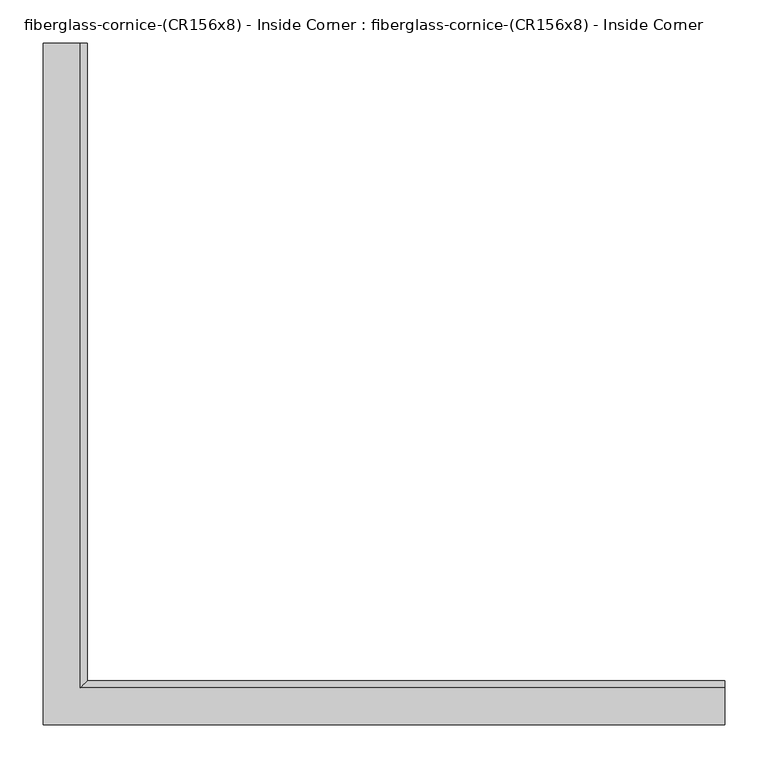
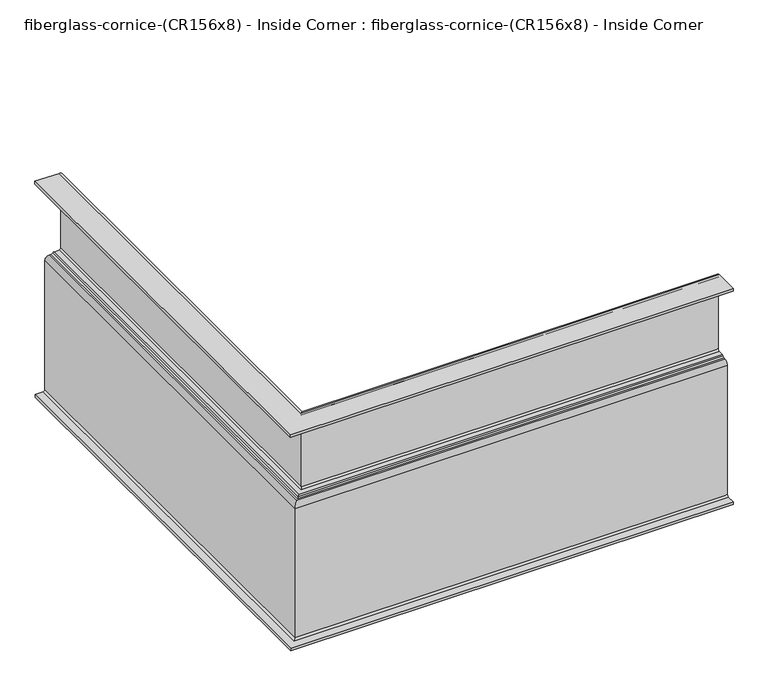
"""IFC4 building model written with IfcOpenShell, lengths in millimetres: furniture geometry, fiberglass-cornice-(CR156x8) - Inside Corner : fiberglass-cornice-(CR156x8) - Inside Corner."""

from ifc_helpers import new_model, si_unit, frame, origin, place, context, project, spatial, polyline, circle_curve, ellipse_curve, source, transform, mapped, element, save
from ifc_brep_helpers import plane_surface, cylinder_surface, revolved_surface, advanced_brep


def fiberglass_cornice_cr156x8_inside_corner_fiberglass_cornice_9d10ce48(model_context):
    return source(origin(), model_context, "Body", "AdvancedBrep", [
        advanced_brep(
        [(-350.8373765, 888.603125, 330.199386), (-342.8999884, 888.603125, 322.261886), (-342.8999884, 888.603125, 185.6777256), (-350.8374884, 888.603125, 177.7402256), (-354.0124884, 888.603125, 177.7402256), (-354.0124884, 888.603125, 180.8652557), (-357.1874884, 888.603125, 180.8652557), (-357.1874884, 888.603125, 177.7402256), (-368.2999934, 888.603125, 177.7402256), (-371.4749934, 888.603125, 174.5652256), (-371.4749934, 888.603125, -68.2625121), (-379.4124934, 888.603125, -76.2000121), (-393.4457379, 888.603125, -76.2000121), (-393.4457379, 888.603125, -71.4375121), (-379.4124934, 888.603125, -71.4375121), (-376.2374934, 888.603125, -68.2625121), (-376.2374934, 888.603125, 174.5652256), (-368.2999934, 888.603125, 182.5027256), (-365.1249884, 888.603125, 182.5027256), (-362.389935, 888.603125, 184.0652406), (-359.6548815, 888.603125, 185.6277557), (-350.8374884, 888.603125, 185.6277557), (-347.6624884, 888.603125, 188.8027557), (-347.6624884, 888.603125, 322.261886), (-350.8374884, 888.603125, 325.436886), (-393.6999938, 888.603125, 325.436886), (-393.6999938, 888.603125, 330.1999904), (393.6999938, 144.0657424, 330.1999904), (393.6999938, 101.203125, 330.1999904), (393.6999938, 101.203125, 325.436886), (393.6999938, 144.0656305, 325.436886), (393.6999938, 147.2406305, 322.261886), (393.6999938, 147.2406305, 188.8027557), (393.6999938, 144.0656305, 185.6277557), (393.6999938, 135.2482373, 185.6277557), (393.6999938, 132.5131839, 184.0652406), (393.6999938, 129.7781305, 182.5027256), (393.6999938, 126.6031254, 182.5027256), (393.6999938, 118.6656254, 174.5652256), (393.6999938, 118.6656254, -68.2625121), (393.6999938, 115.4906254, -71.4375121), (393.6999938, 101.457381, -71.4375121), (393.6999938, 101.457381, -76.2000121), (393.6999938, 115.4906254, -76.2000121), (393.6999938, 123.4281254, -68.2625121), (393.6999938, 123.4281254, 174.5652256), (393.6999938, 126.6031254, 177.7402256), (393.6999938, 137.7156305, 177.7402256), (393.6999938, 137.7156305, 180.8652557), (393.6999938, 140.8906305, 180.8652557), (393.6999938, 140.8906305, 177.7402256), (393.6999938, 144.0656305, 177.7402256), (393.6999938, 152.0031305, 185.6777256), (393.6999938, 152.0031305, 322.261886), (-350.8373765, 144.0657424, 330.199386), (-342.8999884, 152.0031305, 322.261886), (-342.8999884, 152.0031305, 185.6777256), (-350.8374884, 144.0656305, 177.7402256), (-354.0124884, 140.8906305, 177.7402256), (-354.0124884, 140.8906305, 180.8652557), (-357.1874884, 137.7156305, 180.8652557), (-357.1874884, 137.7156305, 177.7402256), (-368.2999934, 126.6031254, 177.7402256), (-371.4749934, 123.4281254, 174.5652256), (-371.4749934, 123.4281254, -68.2625121), (-379.4124934, 115.4906254, -76.2000121), (-393.4457379, 101.457381, -76.2000121), (-393.4457379, 101.457381, -71.4375121), (-379.4124934, 115.4906254, -71.4375121), (-376.2374934, 118.6656254, -68.2625121), (-376.2374934, 118.6656254, 174.5652256), (-368.2999934, 126.6031254, 182.5027256), (-365.1249884, 129.7781305, 182.5027256), (-362.389935, 132.5131839, 184.0652406), (-359.6548815, 135.2482373, 185.6277557), (-350.8374884, 144.0656305, 185.6277557), (-347.6624884, 147.2406305, 188.8027557), (-347.6624884, 147.2406305, 322.261886), (-350.8374884, 144.0656305, 325.436886), (-393.6999938, 101.203125, 325.436886), (-393.6999938, 101.203125, 330.1999904)],
        [
            (0, 1, circle_curve(frame((-350.8374884, 888.603125, 322.261886), z_axis=(0.0, 1.0, 0.0), x_axis=(1.0, 0.0, 0.0)), 7.9375)),
            (1, 2),
            (2, 3, circle_curve(frame((-350.8374884, 888.603125, 185.6777256), z_axis=(0.0, 1.0, 0.0), x_axis=(1.0, 0.0, 0.0)), 7.9375)),
            (3, 4),
            (4, 5),
            (5, 6),
            (6, 7),
            (7, 8),
            (8, 9, circle_curve(frame((-368.2999934, 888.603125, 174.5652256), z_axis=(0.0, -1.0, 0.0), x_axis=(1.0, 0.0, 0.0)), 3.175)),
            (9, 10),
            (10, 11, circle_curve(frame((-379.4124934, 888.603125, -68.2625121), z_axis=(0.0, 1.0, 0.0), x_axis=(1.0, 0.0, 0.0)), 7.9375)),
            (11, 12),
            (12, 13),
            (13, 14),
            (14, 15, circle_curve(frame((-379.4124934, 888.603125, -68.2625121), z_axis=(0.0, -1.0, 0.0), x_axis=(1.0, 0.0, 0.0)), 3.175)),
            (15, 16),
            (16, 17, circle_curve(frame((-368.2999934, 888.603125, 174.5652256), z_axis=(0.0, 1.0, 0.0), x_axis=(1.0, 0.0, 0.0)), 7.9375)),
            (17, 18),
            (18, 19, circle_curve(frame((-365.1249884, 888.603125, 185.6777256), z_axis=(0.0, -1.0, 0.0), x_axis=(1.0, 0.0, 0.0)), 3.175)),
            (19, 20, circle_curve(frame((-359.6548815, 888.603125, 182.4527557), z_axis=(0.0, 1.0, 0.0), x_axis=(1.0, 0.0, 0.0)), 3.175)),
            (20, 21),
            (21, 22, circle_curve(frame((-350.8374884, 888.603125, 188.8027557), z_axis=(0.0, -1.0, 0.0), x_axis=(1.0, 0.0, 0.0)), 3.175)),
            (22, 23),
            (23, 24, circle_curve(frame((-350.8374884, 888.603125, 322.261886), z_axis=(0.0, -1.0, 0.0), x_axis=(1.0, 0.0, 0.0)), 3.175)),
            (24, 25),
            (25, 26),
            (26, 0),
            (27, 28),
            (28, 29),
            (29, 30),
            (30, 31, circle_curve(frame((393.6999938, 144.0656305, 322.261886), z_axis=(-1.0, 0.0, 0.0), x_axis=(0.0, 1.0, 0.0)), 3.175)),
            (31, 32),
            (32, 33, circle_curve(frame((393.6999938, 144.0656305, 188.8027557), z_axis=(-1.0, 0.0, 0.0), x_axis=(0.0, 1.0, 0.0)), 3.175)),
            (33, 34),
            (34, 35, circle_curve(frame((393.6999938, 135.2482373, 182.4527557), z_axis=(1.0, 0.0, 0.0), x_axis=(0.0, 1.0, 0.0)), 3.175)),
            (35, 36, circle_curve(frame((393.6999938, 129.7781305, 185.6777256), z_axis=(-1.0, 0.0, 0.0), x_axis=(0.0, 1.0, 0.0)), 3.175)),
            (36, 37),
            (37, 38, circle_curve(frame((393.6999938, 126.6031254, 174.5652256), z_axis=(1.0, 0.0, 0.0), x_axis=(0.0, 1.0, 0.0)), 7.9375)),
            (38, 39),
            (39, 40, circle_curve(frame((393.6999938, 115.4906254, -68.2625121), z_axis=(-1.0, 0.0, 0.0), x_axis=(0.0, 1.0, 0.0)), 3.175)),
            (40, 41),
            (41, 42),
            (42, 43),
            (43, 44, circle_curve(frame((393.6999938, 115.4906254, -68.2625121), z_axis=(1.0, 0.0, 0.0), x_axis=(0.0, 1.0, 0.0)), 7.9375)),
            (44, 45),
            (45, 46, circle_curve(frame((393.6999938, 126.6031254, 174.5652256), z_axis=(-1.0, 0.0, 0.0), x_axis=(0.0, 1.0, 0.0)), 3.175)),
            (46, 47),
            (47, 48),
            (48, 49),
            (49, 50),
            (50, 51),
            (51, 52, circle_curve(frame((393.6999938, 144.0656305, 185.6777256), z_axis=(1.0, 0.0, 0.0), x_axis=(0.0, 1.0, 0.0)), 7.9375)),
            (52, 53),
            (53, 27, circle_curve(frame((393.6999938, 144.0656305, 322.261886), z_axis=(1.0, 0.0, 0.0), x_axis=(0.0, 1.0, 0.0)), 7.9375)),
            (0, 54),
            (54, 55, ellipse_curve(frame((-350.8374884, 144.0656305, 322.261886), z_axis=(-0.7071067811865475, 0.7071067811865475, 0.0), x_axis=(0.7071067811865474, 0.7071067811865476, 0.0)), 11.2253202, 7.9375)),
            (55, 1),
            (55, 56),
            (56, 2),
            (56, 57, ellipse_curve(frame((-350.8374884, 144.0656305, 185.6777256), z_axis=(-0.7071067811865475, 0.7071067811865475, 0.0), x_axis=(0.7071067811865474, 0.7071067811865476, 0.0)), 11.2253202, 7.9375)),
            (57, 3),
            (57, 51),
            (50, 58),
            (58, 4),
            (58, 59),
            (59, 5),
            (59, 49),
            (48, 60),
            (60, 6),
            (60, 61),
            (61, 7),
            (61, 47),
            (46, 62),
            (62, 8),
            (62, 63, ellipse_curve(frame((-368.2999934, 126.6031254, 174.5652256), z_axis=(0.7071067811865475, -0.7071067811865475, 0.0), x_axis=(-0.7071067811865474, -0.7071067811865476, 0.0)), 4.4901281, 3.175)),
            (63, 9),
            (63, 64),
            (64, 10),
            (64, 65, ellipse_curve(frame((-379.4124934, 115.4906254, -68.2625121), z_axis=(-0.7071067811865475, 0.7071067811865475, 0.0), x_axis=(0.7071067811865474, 0.7071067811865476, 0.0)), 11.2253202, 7.9375)),
            (65, 11),
            (65, 43),
            (42, 66),
            (66, 12),
            (66, 67),
            (67, 13),
            (67, 41),
            (40, 68),
            (68, 14),
            (68, 69, ellipse_curve(frame((-379.4124934, 115.4906254, -68.2625121), z_axis=(0.7071067811865475, -0.7071067811865475, 0.0), x_axis=(-0.7071067811865474, -0.7071067811865476, 0.0)), 4.4901281, 3.175)),
            (69, 15),
            (69, 70),
            (70, 16),
            (70, 71, ellipse_curve(frame((-368.2999934, 126.6031254, 174.5652256), z_axis=(-0.7071067811865475, 0.7071067811865475, 0.0), x_axis=(0.7071067811865474, 0.7071067811865476, 0.0)), 11.2253202, 7.9375)),
            (71, 17),
            (71, 37),
            (36, 72),
            (72, 18),
            (72, 73, ellipse_curve(frame((-365.1249884, 129.7781305, 185.6777256), z_axis=(0.7071067811865475, -0.7071067811865475, 0.0), x_axis=(-0.7071067811865474, -0.7071067811865476, 0.0)), 4.4901281, 3.175)),
            (73, 19),
            (73, 74, ellipse_curve(frame((-359.6548815, 135.2482373, 182.4527557), z_axis=(-0.7071067811865475, 0.7071067811865475, 0.0), x_axis=(0.7071067811865474, 0.7071067811865476, 0.0)), 4.4901281, 3.175)),
            (74, 20),
            (74, 34),
            (33, 75),
            (75, 21),
            (75, 76, ellipse_curve(frame((-350.8374884, 144.0656305, 188.8027557), z_axis=(0.7071067811865475, -0.7071067811865475, 0.0), x_axis=(-0.7071067811865474, -0.7071067811865476, 0.0)), 4.4901281, 3.175)),
            (76, 22),
            (76, 77),
            (77, 23),
            (77, 78, ellipse_curve(frame((-350.8374884, 144.0656305, 322.261886), z_axis=(0.7071067811865475, -0.7071067811865475, 0.0), x_axis=(-0.7071067811865474, -0.7071067811865476, 0.0)), 4.4901281, 3.175)),
            (78, 24),
            (78, 30),
            (29, 79),
            (79, 25),
            (79, 80),
            (80, 26),
            (80, 28),
            (27, 54),
            (53, 55),
            (52, 56),
            (45, 63),
            (44, 64),
            (39, 69),
            (38, 70),
            (35, 73),
            (32, 76),
            (31, 77),
        ],
        [
            plane_surface(frame((-393.6999938, 888.603125, 330.1999904), z_axis=(0.0, 1.0, 0.0), x_axis=(0.0, 0.0, 1.0))),
            plane_surface(frame((393.6999938, 101.203125, 330.1999904), z_axis=(1.0, 0.0, 0.0), x_axis=(0.0, 0.0, 1.0))),
            cylinder_surface(frame((-350.8374884, 888.603125, 322.261886), z_axis=(0.0, 1.0, 0.0), x_axis=(1.0, 0.0, 0.0)), 7.9375),
            plane_surface(frame((-342.8999884, 888.603125, 322.261886), z_axis=(1.0, 0.0, 0.0), x_axis=(0.0, -1.0, 0.0))),
            cylinder_surface(frame((-350.8374884, 888.603125, 185.6777256), z_axis=(0.0, 1.0, 0.0), x_axis=(1.0, 0.0, 0.0)), 7.9375),
            plane_surface(frame((-350.8374884, 888.603125, 177.7402256), z_axis=(0.0, 0.0, -1.0), x_axis=(0.0, -1.0, 0.0))),
            plane_surface(frame((-354.0124884, 888.603125, 177.7402256), z_axis=(-1.0, 0.0, 0.0), x_axis=(0.0, -1.0, 0.0))),
            plane_surface(frame((-354.0124884, 888.603125, 180.8652557), z_axis=(0.0, 0.0, -1.0), x_axis=(0.0, -1.0, 0.0))),
            plane_surface(frame((-357.1874884, 888.603125, 180.8652557), z_axis=(1.0, 0.0, 0.0), x_axis=(0.0, -1.0, 0.0))),
            plane_surface(frame((-357.1874884, 888.603125, 177.7402256), z_axis=(0.0, 0.0, -1.0), x_axis=(0.0, -1.0, 0.0))),
            revolved_surface(polyline([(-365.1249934, 123.42812537209363, 174.5652256), (-365.1249934, 888.603125, 174.5652256)]), (-368.2999934, 888.603125, 174.5652256), (0.0, -1.0, 0.0)),
            plane_surface(frame((-371.4749934, 888.603125, 174.5652256), z_axis=(1.0, 0.0, 0.0), x_axis=(0.0, -1.0, 0.0))),
            cylinder_surface(frame((-379.4124934, 888.603125, -68.2625121), z_axis=(0.0, 1.0, 0.0), x_axis=(1.0, 0.0, 0.0)), 7.9375),
            plane_surface(frame((-379.4124934, 888.603125, -76.2000121), z_axis=(0.0, 0.0, -1.0), x_axis=(0.0, -1.0, 0.0))),
            plane_surface(frame((-393.4457379, 888.603125, -76.2000121), z_axis=(-1.0, 0.0, 0.0), x_axis=(0.0, -1.0, 0.0))),
            plane_surface(frame((-393.4457379, 888.603125, -71.4375121), z_axis=(0.0, 0.0, 1.0), x_axis=(0.0, -1.0, 0.0))),
            revolved_surface(polyline([(-376.2374934, 112.31562537209368, -68.2625121), (-376.2374934, 888.603125, -68.2625121)]), (-379.4124934, 888.603125, -68.2625121), (0.0, -1.0, 0.0)),
            plane_surface(frame((-376.2374934, 888.603125, -68.2625121), z_axis=(-1.0, 0.0, 0.0), x_axis=(0.0, -1.0, 0.0))),
            cylinder_surface(frame((-368.2999934, 888.603125, 174.5652256), z_axis=(0.0, 1.0, 0.0), x_axis=(1.0, 0.0, 0.0)), 7.9375),
            plane_surface(frame((-368.2999934, 888.603125, 182.5027256), z_axis=(0.0, 0.0, 1.0), x_axis=(0.0, -1.0, 0.0))),
            revolved_surface(polyline([(-361.9499884, 126.60313047209365, 185.6777256), (-361.9499884, 888.603125, 185.6777256)]), (-365.1249884, 888.603125, 185.6777256), (0.0, -1.0, 0.0)),
            cylinder_surface(frame((-359.6548815, 888.603125, 182.4527557), z_axis=(0.0, 1.0, 0.0), x_axis=(1.0, 0.0, 0.0)), 3.175),
            plane_surface(frame((-359.6548815, 888.603125, 185.6277557), z_axis=(0.0, 0.0, 1.0), x_axis=(0.0, -1.0, 0.0))),
            revolved_surface(polyline([(-347.6624884, 140.89063047209368, 188.8027557), (-347.6624884, 888.603125, 188.8027557)]), (-350.8374884, 888.603125, 188.8027557), (0.0, -1.0, 0.0)),
            plane_surface(frame((-347.6624884, 888.603125, 188.8027557), z_axis=(-1.0, 0.0, 0.0), x_axis=(0.0, -1.0, 0.0))),
            revolved_surface(polyline([(-347.6624884, 140.89063047209368, 322.261886), (-347.6624884, 888.603125, 322.261886)]), (-350.8374884, 888.603125, 322.261886), (0.0, -1.0, 0.0)),
            plane_surface(frame((-350.8374884, 888.603125, 325.436886), z_axis=(0.0, 0.0, -1.0), x_axis=(0.0, -1.0, 0.0))),
            plane_surface(frame((-393.6999938, 888.603125, 325.436886), z_axis=(-1.0, 0.0, 0.0), x_axis=(0.0, -1.0, 0.0))),
            plane_surface(frame((-393.6999938, 888.603125, 330.1999904), z_axis=(0.0, 0.0, 1.0), x_axis=(0.0, -1.0, 0.0))),
            cylinder_surface(frame((-393.6999938, 144.0656305, 322.261886), z_axis=(-1.0, 0.0, 0.0), x_axis=(0.0, 1.0, 0.0)), 7.9375),
            plane_surface(frame((-342.8999884, 152.0031305, 322.261886), z_axis=(0.0, 1.0, 0.0), x_axis=(1.0, 0.0, 0.0))),
            cylinder_surface(frame((-393.6999938, 144.0656305, 185.6777256), z_axis=(-1.0, 0.0, 0.0), x_axis=(0.0, 1.0, 0.0)), 7.9375),
            plane_surface(frame((-354.0124884, 140.8906305, 177.7402256), z_axis=(0.0, -1.0, 0.0), x_axis=(1.0, 0.0, 0.0))),
            plane_surface(frame((-357.1874884, 137.7156305, 180.8652557), z_axis=(0.0, 1.0, 0.0), x_axis=(1.0, 0.0, 0.0))),
            revolved_surface(polyline([(393.6999938, 129.7781254, 174.5652256), (-371.47499342790627, 129.7781254, 174.5652256)]), (-393.6999938, 126.6031254, 174.5652256), (1.0, 0.0, 0.0)),
            plane_surface(frame((-371.4749934, 123.4281254, 174.5652256), z_axis=(0.0, 1.0, 0.0), x_axis=(1.0, 0.0, 0.0))),
            cylinder_surface(frame((-393.6999938, 115.4906254, -68.2625121), z_axis=(-1.0, 0.0, 0.0), x_axis=(0.0, 1.0, 0.0)), 7.9375),
            plane_surface(frame((-393.4457379, 101.457381, -76.2000121), z_axis=(0.0, -1.0, 0.0), x_axis=(1.0, 0.0, 0.0))),
            revolved_surface(polyline([(393.6999938, 118.6656254, -68.2625121), (-382.5874934279063, 118.6656254, -68.2625121)]), (-393.6999938, 115.4906254, -68.2625121), (1.0, 0.0, 0.0)),
            plane_surface(frame((-376.2374934, 118.6656254, -68.2625121), z_axis=(0.0, -1.0, 0.0), x_axis=(1.0, 0.0, 0.0))),
            cylinder_surface(frame((-393.6999938, 126.6031254, 174.5652256), z_axis=(-1.0, 0.0, 0.0), x_axis=(0.0, 1.0, 0.0)), 7.9375),
            revolved_surface(polyline([(393.6999938, 132.95313050000001, 185.6777256), (-368.29998842790627, 132.95313050000001, 185.6777256)]), (-393.6999938, 129.7781305, 185.6777256), (1.0, 0.0, 0.0)),
            cylinder_surface(frame((-393.6999938, 135.2482373, 182.4527557), z_axis=(-1.0, 0.0, 0.0), x_axis=(0.0, 1.0, 0.0)), 3.175),
            revolved_surface(polyline([(393.6999938, 147.2406305, 188.8027557), (-354.01248842790625, 147.2406305, 188.8027557)]), (-393.6999938, 144.0656305, 188.8027557), (1.0, 0.0, 0.0)),
            plane_surface(frame((-347.6624884, 147.2406305, 188.8027557), z_axis=(0.0, -1.0, 0.0), x_axis=(1.0, 0.0, 0.0))),
            revolved_surface(polyline([(393.6999938, 147.2406305, 322.261886), (-354.01248842790625, 147.2406305, 322.261886)]), (-393.6999938, 144.0656305, 322.261886), (1.0, 0.0, 0.0)),
            plane_surface(frame((-393.6999938, 101.203125, 325.436886), z_axis=(0.0, -1.0, 0.0), x_axis=(1.0, 0.0, 0.0))),
        ],
        [
            (0, [[1, 2, 3, 4, 5, 6, 7, 8, 9, 10, 11, 12, 13, 14, 15, 16, 17, 18, 19, 20, 21, 22, 23, 24, 25, 26, 27]]),
            (1, [[28, 29, 30, 31, 32, 33, 34, 35, 36, 37, 38, 39, 40, 41, 42, 43, 44, 45, 46, 47, 48, 49, 50, 51, 52, 53, 54]]),
            (2, [[-1, 55, 56, 57]]),
            (3, [[-2, -57, 58, 59]]),
            (4, [[-3, -59, 60, 61]]),
            (5, [[-4, -61, 62, -51, 63, 64]]),
            (6, [[-5, -64, 65, 66]]),
            (7, [[-6, -66, 67, -49, 68, 69]]),
            (8, [[-7, -69, 70, 71]]),
            (9, [[-8, -71, 72, -47, 73, 74]]),
            (10, [[-9, -74, 75, 76]]),
            (11, [[-10, -76, 77, 78]]),
            (12, [[-11, -78, 79, 80]]),
            (13, [[-12, -80, 81, -43, 82, 83]]),
            (14, [[-13, -83, 84, 85]]),
            (15, [[-14, -85, 86, -41, 87, 88]]),
            (16, [[-15, -88, 89, 90]]),
            (17, [[-16, -90, 91, 92]]),
            (18, [[-17, -92, 93, 94]]),
            (19, [[-18, -94, 95, -37, 96, 97]]),
            (20, [[-19, -97, 98, 99]]),
            (21, [[-20, -99, 100, 101]]),
            (22, [[-21, -101, 102, -34, 103, 104]]),
            (23, [[-22, -104, 105, 106]]),
            (24, [[-23, -106, 107, 108]]),
            (25, [[-24, -108, 109, 110]]),
            (26, [[-25, -110, 111, -30, 112, 113]]),
            (27, [[-26, -113, 114, 115]]),
            (28, [[-27, -115, 116, -28, 117, -55]]),
            (29, [[-56, -117, -54, 118]]),
            (30, [[-58, -118, -53, 119]]),
            (31, [[-60, -119, -52, -62]]),
            (32, [[-65, -63, -50, -67]]),
            (33, [[-70, -68, -48, -72]]),
            (34, [[-75, -73, -46, 120]]),
            (35, [[-77, -120, -45, 121]]),
            (36, [[-79, -121, -44, -81]]),
            (37, [[-84, -82, -42, -86]]),
            (38, [[-89, -87, -40, 122]]),
            (39, [[-91, -122, -39, 123]]),
            (40, [[-93, -123, -38, -95]]),
            (41, [[-98, -96, -36, 124]]),
            (42, [[-100, -124, -35, -102]]),
            (43, [[-105, -103, -33, 125]]),
            (44, [[-107, -125, -32, 126]]),
            (45, [[-109, -126, -31, -111]]),
            (46, [[-114, -112, -29, -116]]),
        ],
    ),
    ])


if __name__ == "__main__":
    model = new_model("IFC4")
    model_context = context("Model", 3, world=origin())
    ifc_project = project(units=[si_unit("LENGTHUNIT", "METRE", prefix="MILLI")], contexts=[model_context])
    site = spatial("IfcSite", under=ifc_project)
    building = spatial("IfcBuilding", under=site)
    placement = place(None, origin())
    fiberglass_cornice_cr156x8_inside_corner_fiberglass_cornice_shape = fiberglass_cornice_cr156x8_inside_corner_fiberglass_cornice_9d10ce48(model_context)
    element("IfcFurniture", 1, ObjectType="fiberglass-cornice-(CR156x8) - Inside Corner : fiberglass-cornice-(CR156x8) - Inside Corner", at=placement, inside=building, context=model_context, shape_type="MappedRepresentation", body=[
        mapped(fiberglass_cornice_cr156x8_inside_corner_fiberglass_cornice_shape, transform((0.0, 0.0, 0.0), x_axis=(1.0, 0.0, 0.0), y_axis=(0.0, 1.0, 0.0), z_axis=(0.0, 0.0, 1.0))),
    ])
    save(model, "model.ifc")
